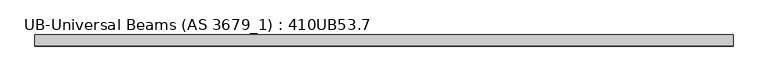
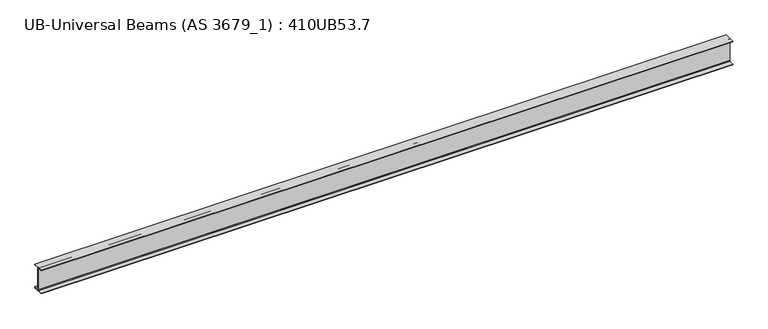
"""IFC4 building model written with IfcOpenShell, lengths in millimetres: beam geometry, UB-Universal Beams (AS 3679_1) : 410UB53.7."""

import ifcopenshell
import ifcopenshell.guid

model = None  # the IFC model being written
_history = None  # IfcOwnerHistory: only IFC2X3 demands one
_inside = {}  # id of a spatial element -> (the spatial element, [elements in it])
_under = {}  # id of a project, library or spatial element -> (it, [spatial elements below it])
_declared = {}  # id of a project -> (the project, [libraries it declares])
_typed = {}  # id of a type object -> (the type object, [elements of that type])
_made_of = {}  # id of a material, layer set ... -> (it, [elements and type objects made of it])


def new_model(schema):
    """Start an empty IFC model of exactly this schema.

    Asked for "IFC4X3", IfcOpenShell would pick the latest addendum, in which some entities
    have other attributes; the version numbers below select the first issue.
    IFC2X3 requires an IfcOwnerHistory on every rooted entity: one is made here for all.
    """
    global model, _history
    if schema == "IFC4X3":
        model = ifcopenshell.file(schema_version=(4, 3, 0, 0))
    else:
        model = ifcopenshell.file(schema=schema)
    _inside.clear()
    _under.clear()
    _declared.clear()
    _typed.clear()
    _made_of.clear()
    _history = None
    if model.schema == "IFC2X3":
        org = make("IfcOrganization", Name="unknown")
        user = make(
            "IfcPersonAndOrganization",
            ThePerson=make("IfcPerson", FamilyName="unknown"),
            TheOrganization=org,
        )
        app = make(
            "IfcApplication",
            ApplicationDeveloper=org,
            Version="unknown",
            ApplicationFullName="unknown",
            ApplicationIdentifier="unknown",
        )
        _history = make(
            "IfcOwnerHistory",
            OwningUser=user,
            OwningApplication=app,
            ChangeAction="ADDED",
            CreationDate=0,
        )
    return model


def make(cls, **values):
    """One entity of the class cls with the attributes given. An attribute that is None is left unset."""
    return model.create_entity(
        cls, **{name: value for name, value in values.items() if value is not None}
    )


def rooted(cls, **values):
    """An entity with a GlobalId (a new one), such as an element, a storey or a relation."""
    return make(cls, GlobalId=ifcopenshell.guid.new(), OwnerHistory=_history, **values)


def si_unit(unit_type, name, prefix=None):
    """IfcSIUnit, for example si_unit("LENGTHUNIT", "METRE", prefix="MILLI")."""
    return make("IfcSIUnit", UnitType=unit_type, Prefix=prefix, Name=name)


def assignment(units):
    """IfcUnitAssignment: the units of a project."""
    return None if units is None else make("IfcUnitAssignment", Units=units)


def point(xyz):
    """IfcCartesianPoint."""
    return None if xyz is None else make("IfcCartesianPoint", Coordinates=xyz)


def direction(xyz):
    """IfcDirection."""
    return None if xyz is None else make("IfcDirection", DirectionRatios=xyz)


def frame(location, z_axis=None, x_axis=None):
    """IfcAxis2Placement3D, a coordinate frame: its origin and axes. An axis left out is left unset."""
    return make(
        "IfcAxis2Placement3D",
        Location=point(location),
        Axis=direction(z_axis),
        RefDirection=direction(x_axis),
    )


def frame_2d(location, x_axis=None):
    """IfcAxis2Placement2D, a coordinate frame in the plane: its origin and x axis."""
    return make(
        "IfcAxis2Placement2D", Location=point(location), RefDirection=direction(x_axis)
    )


def origin():
    """The frame at (0, 0, 0) with its axes left unset."""
    return frame((0.0, 0.0, 0.0))


def place(relative_to, where):
    """IfcLocalPlacement: puts the frame where relative to a parent placement (None: the world)."""
    return make(
        "IfcLocalPlacement", PlacementRelTo=relative_to, RelativePlacement=where
    )


def context(
    kind, dimensions, precision=None, world=None, true_north=None, identifier=None
):
    """IfcGeometricRepresentationContext, for example the 3D "Model" context."""
    return make(
        "IfcGeometricRepresentationContext",
        ContextIdentifier=identifier,
        ContextType=kind,
        CoordinateSpaceDimension=dimensions,
        Precision=precision,
        WorldCoordinateSystem=world,
        TrueNorth=true_north,
    )


def project(units=None, contexts=None):
    """IfcProject with its units and contexts."""
    return rooted(
        "IfcProject",
        Name="project",
        RepresentationContexts=contexts,
        UnitsInContext=assignment(units),
    )


def spatial(cls, under=None, at=None, **own):
    """A site, building, storey or space (cls), placed at a placement, below another one or the project."""
    s = rooted(cls, ObjectPlacement=at, **own)
    if under is not None:
        _under.setdefault(under.id(), (under, []))[1].append(s)
    return s


def polyline(points):
    """IfcPolyline through the points."""
    return make("IfcPolyline", Points=[point(p) for p in points])


def circle_curve(where, radius):
    """IfcCircle in the frame where."""
    return make("IfcCircle", Position=where, Radius=radius)


def trimmed(basis, trim1, trim2, sense, master):
    """IfcTrimmedCurve: the piece of a basis curve between two trims."""
    return make(
        "IfcTrimmedCurve",
        BasisCurve=basis,
        Trim1=trim1,
        Trim2=trim2,
        SenseAgreement=sense,
        MasterRepresentation=master,
    )


def segment(curve, same_sense, transition):
    """IfcCompositeCurveSegment."""
    return make(
        "IfcCompositeCurveSegment",
        Transition=transition,
        SameSense=same_sense,
        ParentCurve=curve,
    )


def composite_curve(segments, self_intersect=None):
    """IfcCompositeCurve: segments joined end to end."""
    return make("IfcCompositeCurve", Segments=segments, SelfIntersect=self_intersect)


def outline(outer, holes=None, kind="AREA"):
    """IfcArbitraryClosedProfileDef: a profile drawn as a closed curve; with holes, ...WithVoids."""
    if holes is None:
        return make("IfcArbitraryClosedProfileDef", ProfileType=kind, OuterCurve=outer)
    return make(
        "IfcArbitraryProfileDefWithVoids",
        ProfileType=kind,
        OuterCurve=outer,
        InnerCurves=holes,
    )


def extrude(swept, where, along, depth):
    """IfcExtrudedAreaSolid: the profile swept, set in the frame where, extruded along a direction by depth."""
    return make(
        "IfcExtrudedAreaSolid",
        SweptArea=swept,
        Position=where,
        ExtrudedDirection=direction(along),
        Depth=depth,
    )


def shape(context_of_items, identifier, shape_type, items):
    """IfcShapeRepresentation: the items that make up one representation, for example the "Body"."""
    return make(
        "IfcShapeRepresentation",
        ContextOfItems=context_of_items,
        RepresentationIdentifier=identifier,
        RepresentationType=shape_type,
        Items=items,
    )


def source(mapping_origin, context_of_items, identifier, shape_type, items):
    """IfcRepresentationMap: a shape defined once, which mapped items show again and again."""
    return make(
        "IfcRepresentationMap",
        MappingOrigin=mapping_origin,
        MappedRepresentation=shape(context_of_items, identifier, shape_type, items),
    )


def transform(
    local_origin,
    x_axis=None,
    y_axis=None,
    z_axis=None,
    scale=None,
    scale2=None,
    scale3=None,
    uniform=True,
):
    """IfcCartesianTransformationOperator3D, or its non-uniform kind. x_axis, y_axis, z_axis: its Axis1, 2, 3."""
    if uniform:
        return make(
            "IfcCartesianTransformationOperator3D",
            Axis1=direction(x_axis),
            Axis2=direction(y_axis),
            LocalOrigin=point(local_origin),
            Scale=scale,
            Axis3=direction(z_axis),
        )
    return make(
        "IfcCartesianTransformationOperator3DnonUniform",
        Axis1=direction(x_axis),
        Axis2=direction(y_axis),
        LocalOrigin=point(local_origin),
        Scale=scale,
        Axis3=direction(z_axis),
        Scale2=scale2,
        Scale3=scale3,
    )


def mapped(mapping_source, mapping_target):
    """IfcMappedItem: shows the shape of a source again, moved by a transform."""
    return make(
        "IfcMappedItem", MappingSource=mapping_source, MappingTarget=mapping_target
    )


def made_of(thing, what):
    """Note that an element or type object is made of a material, layer set ...; save() writes the relation."""
    if what is not None:
        _made_of.setdefault(what.id(), (what, []))[1].append(thing)
    return thing


def element(
    cls,
    number,
    at=None,
    inside=None,
    cuts=None,
    type_object=None,
    material=None,
    context=None,
    identifier="Body",
    shape_type=None,
    held_by="IfcProductDefinitionShape",
    body=None,
    shapes=None,
    **own,
):
    """One element of the class cls, such as IfcWall. Its Tag is "e" and its number.

    at: its placement. inside: the storey or other place that contains it. cuts: it is an
    opening in that element (IfcRelVoidsElement). A single representation is given by context,
    identifier, shape_type and body (its items); several are given by shapes. held_by: the class
    of the entity that holds the representations. save() writes the other relations.
    """
    e = rooted(cls, Tag="e%d" % number, ObjectPlacement=at, **own)
    if body is not None:
        shapes = [shape(context, identifier, shape_type, body)]
    if shapes is not None:
        e.Representation = make(held_by, Representations=shapes)
    if inside is not None:
        _inside.setdefault(inside.id(), (inside, []))[1].append(e)
    if cuts is not None:
        rooted(
            "IfcRelVoidsElement", RelatingBuildingElement=cuts, RelatedOpeningElement=e
        )
    if type_object is not None:
        _typed.setdefault(type_object.id(), (type_object, []))[1].append(e)
    return made_of(e, material)


def aggregate(whole, parts):
    """IfcRelAggregates: a whole, such as a stair, and the parts it consists of."""
    return rooted("IfcRelAggregates", RelatingObject=whole, RelatedObjects=parts)


def save(model, path):
    """Write the relations noted so far, then the file.

    IfcRelAggregates (storeys below a building ...), IfcRelContainedInSpatialStructure (elements
    in a storey), IfcRelDefinesByType, IfcRelAssociatesMaterial and IfcRelDeclares: one each for
    every whole, place, type object, material and project.
    """
    for whole, parts in _under.values():
        aggregate(whole, parts)
    for where, things in _inside.values():
        rooted(
            "IfcRelContainedInSpatialStructure",
            RelatedElements=things,
            RelatingStructure=where,
        )
    for kind, things in _typed.values():
        rooted("IfcRelDefinesByType", RelatedObjects=things, RelatingType=kind)
    for what, things in _made_of.values():
        rooted("IfcRelAssociatesMaterial", RelatedObjects=things, RelatingMaterial=what)
    for by, libraries in _declared.values():
        rooted("IfcRelDeclares", RelatingContext=by, RelatedDefinitions=libraries)
    model.write(path)


def ub_universal_beams_as_3679_1_410ub53_7_7dee3039(model_context):
    return source(origin(), model_context, "Body", "SweptSolid", [
        extrude(outline(composite_curve([segment(polyline([(89.0, -190.4), (89.0, -201.3), (-89.0, -201.3), (-89.0, -190.4), (-15.2, -190.4)]), True, "CONTINUOUS"), segment(trimmed(circle_curve(frame_2d((-15.2, -179.0)), 11.4), [point((-15.2, -190.4))], [point((-3.8, -179.0))], True, "CARTESIAN"), True, "CONTINUOUS"), segment(polyline([(-3.8, -179.0), (-3.8, 179.0)]), True, "CONTINUOUS"), segment(trimmed(circle_curve(frame_2d((-15.2, 179.0)), 11.4), [point((-3.8, 179.0))], [point((-15.2, 190.4))], True, "CARTESIAN"), True, "CONTINUOUS"), segment(polyline([(-15.2, 190.4), (-89.0, 190.4), (-89.0, 201.3), (89.0, 201.3), (89.0, 190.4), (15.2, 190.4)]), True, "CONTINUOUS"), segment(trimmed(circle_curve(frame_2d((15.2, 179.0)), 11.4), [point((15.2, 190.4))], [point((3.8, 179.0))], True, "CARTESIAN"), True, "CONTINUOUS"), segment(polyline([(3.8, 179.0), (3.8, -179.0)]), True, "CONTINUOUS"), segment(trimmed(circle_curve(frame_2d((15.2, -179.0)), 11.4), [point((3.8, -179.0))], [point((15.2, -190.4))], True, "CARTESIAN"), True, "CONTINUOUS"), segment(polyline([(15.2, -190.4), (89.0, -190.4)]), True, "CONTINUOUS")], self_intersect=False)), frame((-5604.5, 0.0, 0.0), z_axis=(1.0, 0.0, 0.0), x_axis=(0.0, 1.0, 0.0)), (0.0, 0.0, 1.0), 11209.0),
    ])


if __name__ == "__main__":
    model = new_model("IFC4")
    model_context = context("Model", 3, world=origin())
    ifc_project = project(units=[si_unit("LENGTHUNIT", "METRE", prefix="MILLI")], contexts=[model_context])
    site = spatial("IfcSite", under=ifc_project)
    building = spatial("IfcBuilding", under=site)
    placement = place(None, origin())
    ub_universal_beams_as_3679_1_410ub53_7_shape = ub_universal_beams_as_3679_1_410ub53_7_7dee3039(model_context)
    element("IfcBeam", 1, ObjectType="UB-Universal Beams (AS 3679_1) : 410UB53.7", at=placement, inside=building, context=model_context, shape_type="MappedRepresentation", body=[
        mapped(ub_universal_beams_as_3679_1_410ub53_7_shape, transform((0.0, 0.0, 0.0), x_axis=(1.0, 0.0, 0.0), y_axis=(0.0, 1.0, 0.0), z_axis=(0.0, 0.0, 1.0))),
    ])
    save(model, "model.ifc")
